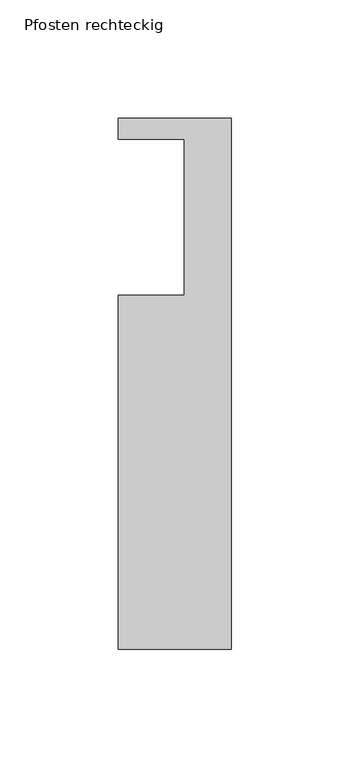
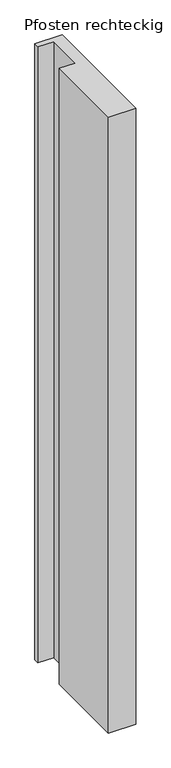
"""IFC4 building model written with IfcOpenShell, lengths in millimetres: member geometry, Pfosten rechteckig."""

from ifc_helpers import new_model, si_unit, frame, origin, place, context, project, spatial, polyline, outline, extrude, source, transform, mapped, element, save


def pfosten_rechteckig_53e73d99(model_context):
    return source(origin(), model_context, "Body", "SweptSolid", [
        extrude(outline(polyline([(0.0, 9.0), (0.0, -216.0), (-48.0, -216.0), (-48.0, -66.0), (-20.0, -66.0), (-20.0, 0.0), (-48.0, 0.0), (-48.0, 9.0), (0.0, 9.0)])), frame((0.0, 0.0, -1150.0), z_axis=(0.0, 0.0, 1.0), x_axis=(1.0, 0.0, 0.0)), (0.0, 0.0, 1.0), 1150.0),
    ])


if __name__ == "__main__":
    model = new_model("IFC4")
    model_context = context("Model", 3, world=origin())
    ifc_project = project(units=[si_unit("LENGTHUNIT", "METRE", prefix="MILLI")], contexts=[model_context])
    site = spatial("IfcSite", under=ifc_project)
    building = spatial("IfcBuilding", under=site)
    placement = place(None, origin())
    pfosten_rechteckig_shape = pfosten_rechteckig_53e73d99(model_context)
    element("IfcMember", 1, ObjectType="Pfosten rechteckig", at=placement, inside=building, context=model_context, shape_type="MappedRepresentation", body=[
        mapped(pfosten_rechteckig_shape, transform((0.0, 0.0, 0.0), x_axis=(1.0, 0.0, 0.0), y_axis=(0.0, 1.0, 0.0), z_axis=(0.0, 0.0, 1.0))),
    ])
    save(model, "model.ifc")
